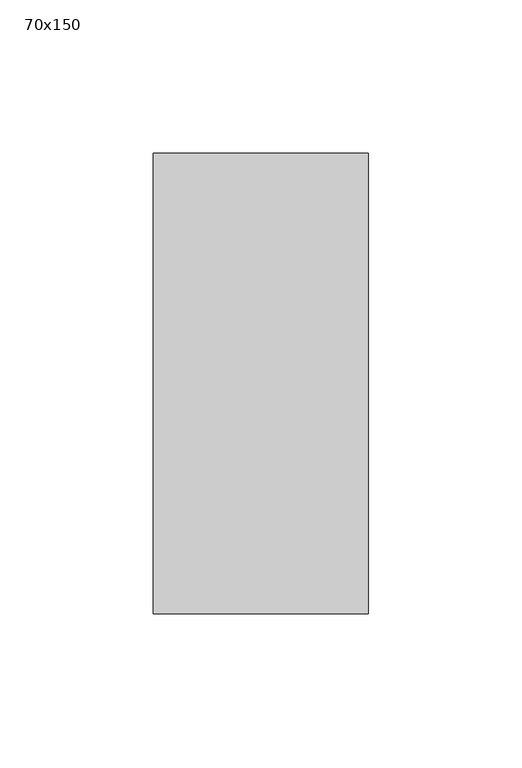
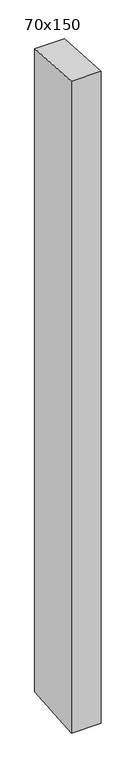
"""IFC4 building model written with IfcOpenShell, lengths in millimetres: member geometry, 70x150."""

import ifcopenshell
import ifcopenshell.guid

model = None  # the IFC model being written
_history = None  # IfcOwnerHistory: only IFC2X3 demands one
_inside = {}  # id of a spatial element -> (the spatial element, [elements in it])
_under = {}  # id of a project, library or spatial element -> (it, [spatial elements below it])
_declared = {}  # id of a project -> (the project, [libraries it declares])
_typed = {}  # id of a type object -> (the type object, [elements of that type])
_made_of = {}  # id of a material, layer set ... -> (it, [elements and type objects made of it])


def new_model(schema):
    """Start an empty IFC model of exactly this schema.

    Asked for "IFC4X3", IfcOpenShell would pick the latest addendum, in which some entities
    have other attributes; the version numbers below select the first issue.
    IFC2X3 requires an IfcOwnerHistory on every rooted entity: one is made here for all.
    """
    global model, _history
    if schema == "IFC4X3":
        model = ifcopenshell.file(schema_version=(4, 3, 0, 0))
    else:
        model = ifcopenshell.file(schema=schema)
    _inside.clear()
    _under.clear()
    _declared.clear()
    _typed.clear()
    _made_of.clear()
    _history = None
    if model.schema == "IFC2X3":
        org = make("IfcOrganization", Name="unknown")
        user = make(
            "IfcPersonAndOrganization",
            ThePerson=make("IfcPerson", FamilyName="unknown"),
            TheOrganization=org,
        )
        app = make(
            "IfcApplication",
            ApplicationDeveloper=org,
            Version="unknown",
            ApplicationFullName="unknown",
            ApplicationIdentifier="unknown",
        )
        _history = make(
            "IfcOwnerHistory",
            OwningUser=user,
            OwningApplication=app,
            ChangeAction="ADDED",
            CreationDate=0,
        )
    return model


def make(cls, **values):
    """One entity of the class cls with the attributes given. An attribute that is None is left unset."""
    return model.create_entity(
        cls, **{name: value for name, value in values.items() if value is not None}
    )


def rooted(cls, **values):
    """An entity with a GlobalId (a new one), such as an element, a storey or a relation."""
    return make(cls, GlobalId=ifcopenshell.guid.new(), OwnerHistory=_history, **values)


def si_unit(unit_type, name, prefix=None):
    """IfcSIUnit, for example si_unit("LENGTHUNIT", "METRE", prefix="MILLI")."""
    return make("IfcSIUnit", UnitType=unit_type, Prefix=prefix, Name=name)


def assignment(units):
    """IfcUnitAssignment: the units of a project."""
    return None if units is None else make("IfcUnitAssignment", Units=units)


def point(xyz):
    """IfcCartesianPoint."""
    return None if xyz is None else make("IfcCartesianPoint", Coordinates=xyz)


def direction(xyz):
    """IfcDirection."""
    return None if xyz is None else make("IfcDirection", DirectionRatios=xyz)


def frame(location, z_axis=None, x_axis=None):
    """IfcAxis2Placement3D, a coordinate frame: its origin and axes. An axis left out is left unset."""
    return make(
        "IfcAxis2Placement3D",
        Location=point(location),
        Axis=direction(z_axis),
        RefDirection=direction(x_axis),
    )


def origin():
    """The frame at (0, 0, 0) with its axes left unset."""
    return frame((0.0, 0.0, 0.0))


def place(relative_to, where):
    """IfcLocalPlacement: puts the frame where relative to a parent placement (None: the world)."""
    return make(
        "IfcLocalPlacement", PlacementRelTo=relative_to, RelativePlacement=where
    )


def context(
    kind, dimensions, precision=None, world=None, true_north=None, identifier=None
):
    """IfcGeometricRepresentationContext, for example the 3D "Model" context."""
    return make(
        "IfcGeometricRepresentationContext",
        ContextIdentifier=identifier,
        ContextType=kind,
        CoordinateSpaceDimension=dimensions,
        Precision=precision,
        WorldCoordinateSystem=world,
        TrueNorth=true_north,
    )


def project(units=None, contexts=None):
    """IfcProject with its units and contexts."""
    return rooted(
        "IfcProject",
        Name="project",
        RepresentationContexts=contexts,
        UnitsInContext=assignment(units),
    )


def spatial(cls, under=None, at=None, **own):
    """A site, building, storey or space (cls), placed at a placement, below another one or the project."""
    s = rooted(cls, ObjectPlacement=at, **own)
    if under is not None:
        _under.setdefault(under.id(), (under, []))[1].append(s)
    return s


def polyline(points):
    """IfcPolyline through the points."""
    return make("IfcPolyline", Points=[point(p) for p in points])


def outline(outer, holes=None, kind="AREA"):
    """IfcArbitraryClosedProfileDef: a profile drawn as a closed curve; with holes, ...WithVoids."""
    if holes is None:
        return make("IfcArbitraryClosedProfileDef", ProfileType=kind, OuterCurve=outer)
    return make(
        "IfcArbitraryProfileDefWithVoids",
        ProfileType=kind,
        OuterCurve=outer,
        InnerCurves=holes,
    )


def extrude(swept, where, along, depth):
    """IfcExtrudedAreaSolid: the profile swept, set in the frame where, extruded along a direction by depth."""
    return make(
        "IfcExtrudedAreaSolid",
        SweptArea=swept,
        Position=where,
        ExtrudedDirection=direction(along),
        Depth=depth,
    )


def shape(context_of_items, identifier, shape_type, items):
    """IfcShapeRepresentation: the items that make up one representation, for example the "Body"."""
    return make(
        "IfcShapeRepresentation",
        ContextOfItems=context_of_items,
        RepresentationIdentifier=identifier,
        RepresentationType=shape_type,
        Items=items,
    )


def source(mapping_origin, context_of_items, identifier, shape_type, items):
    """IfcRepresentationMap: a shape defined once, which mapped items show again and again."""
    return make(
        "IfcRepresentationMap",
        MappingOrigin=mapping_origin,
        MappedRepresentation=shape(context_of_items, identifier, shape_type, items),
    )


def transform(
    local_origin,
    x_axis=None,
    y_axis=None,
    z_axis=None,
    scale=None,
    scale2=None,
    scale3=None,
    uniform=True,
):
    """IfcCartesianTransformationOperator3D, or its non-uniform kind. x_axis, y_axis, z_axis: its Axis1, 2, 3."""
    if uniform:
        return make(
            "IfcCartesianTransformationOperator3D",
            Axis1=direction(x_axis),
            Axis2=direction(y_axis),
            LocalOrigin=point(local_origin),
            Scale=scale,
            Axis3=direction(z_axis),
        )
    return make(
        "IfcCartesianTransformationOperator3DnonUniform",
        Axis1=direction(x_axis),
        Axis2=direction(y_axis),
        LocalOrigin=point(local_origin),
        Scale=scale,
        Axis3=direction(z_axis),
        Scale2=scale2,
        Scale3=scale3,
    )


def mapped(mapping_source, mapping_target):
    """IfcMappedItem: shows the shape of a source again, moved by a transform."""
    return make(
        "IfcMappedItem", MappingSource=mapping_source, MappingTarget=mapping_target
    )


def made_of(thing, what):
    """Note that an element or type object is made of a material, layer set ...; save() writes the relation."""
    if what is not None:
        _made_of.setdefault(what.id(), (what, []))[1].append(thing)
    return thing


def element(
    cls,
    number,
    at=None,
    inside=None,
    cuts=None,
    type_object=None,
    material=None,
    context=None,
    identifier="Body",
    shape_type=None,
    held_by="IfcProductDefinitionShape",
    body=None,
    shapes=None,
    **own,
):
    """One element of the class cls, such as IfcWall. Its Tag is "e" and its number.

    at: its placement. inside: the storey or other place that contains it. cuts: it is an
    opening in that element (IfcRelVoidsElement). A single representation is given by context,
    identifier, shape_type and body (its items); several are given by shapes. held_by: the class
    of the entity that holds the representations. save() writes the other relations.
    """
    e = rooted(cls, Tag="e%d" % number, ObjectPlacement=at, **own)
    if body is not None:
        shapes = [shape(context, identifier, shape_type, body)]
    if shapes is not None:
        e.Representation = make(held_by, Representations=shapes)
    if inside is not None:
        _inside.setdefault(inside.id(), (inside, []))[1].append(e)
    if cuts is not None:
        rooted(
            "IfcRelVoidsElement", RelatingBuildingElement=cuts, RelatedOpeningElement=e
        )
    if type_object is not None:
        _typed.setdefault(type_object.id(), (type_object, []))[1].append(e)
    return made_of(e, material)


def aggregate(whole, parts):
    """IfcRelAggregates: a whole, such as a stair, and the parts it consists of."""
    return rooted("IfcRelAggregates", RelatingObject=whole, RelatedObjects=parts)


def save(model, path):
    """Write the relations noted so far, then the file.

    IfcRelAggregates (storeys below a building ...), IfcRelContainedInSpatialStructure (elements
    in a storey), IfcRelDefinesByType, IfcRelAssociatesMaterial and IfcRelDeclares: one each for
    every whole, place, type object, material and project.
    """
    for whole, parts in _under.values():
        aggregate(whole, parts)
    for where, things in _inside.values():
        rooted(
            "IfcRelContainedInSpatialStructure",
            RelatedElements=things,
            RelatingStructure=where,
        )
    for kind, things in _typed.values():
        rooted("IfcRelDefinesByType", RelatedObjects=things, RelatingType=kind)
    for what, things in _made_of.values():
        rooted("IfcRelAssociatesMaterial", RelatedObjects=things, RelatingMaterial=what)
    for by, libraries in _declared.values():
        rooted("IfcRelDeclares", RelatingContext=by, RelatedDefinitions=libraries)
    model.write(path)


def member_70x150_2632d942(model_context):
    return source(origin(), model_context, "Body", "SweptSolid", [
        extrude(outline(polyline([(-75.0, 4.9317385), (75.0, -4.9317385), (75.0, -1612.9055464), (-75.0, -1625.0569542), (-75.0, 4.9317385)])), frame((-70.0, 0.0, 0.0), z_axis=(1.0, 0.0, 0.0), x_axis=(0.0, 1.0, 0.0)), (0.0, 0.0, 1.0), 70.0),
    ])


if __name__ == "__main__":
    model = new_model("IFC4")
    model_context = context("Model", 3, world=origin())
    ifc_project = project(units=[si_unit("LENGTHUNIT", "METRE", prefix="MILLI")], contexts=[model_context])
    site = spatial("IfcSite", under=ifc_project)
    building = spatial("IfcBuilding", under=site)
    placement = place(None, origin())
    member_70x150_shape = member_70x150_2632d942(model_context)
    element("IfcMember", 1, ObjectType="70x150", at=placement, inside=building, context=model_context, shape_type="MappedRepresentation", body=[
        mapped(member_70x150_shape, transform((0.0, 0.0, 0.0), x_axis=(1.0, 0.0, 0.0), y_axis=(0.0, 1.0, 0.0), z_axis=(0.0, 0.0, 1.0))),
    ])
    save(model, "model.ifc")
